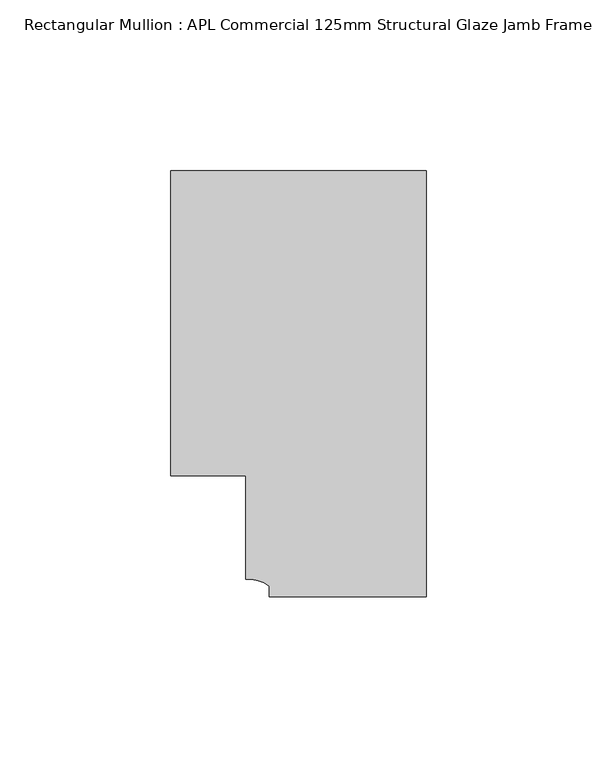
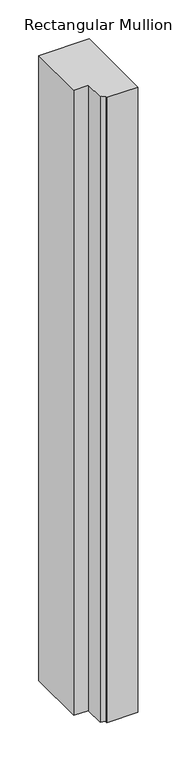
"""IFC4 building model written with IfcOpenShell, lengths in millimetres: member geometry, Rectangular Mullion : APL Commercial 125mm Structural Glaze Jamb Frame (left)."""

import ifcopenshell
import ifcopenshell.guid

model = None  # the IFC model being written
_history = None  # IfcOwnerHistory: only IFC2X3 demands one
_inside = {}  # id of a spatial element -> (the spatial element, [elements in it])
_under = {}  # id of a project, library or spatial element -> (it, [spatial elements below it])
_declared = {}  # id of a project -> (the project, [libraries it declares])
_typed = {}  # id of a type object -> (the type object, [elements of that type])
_made_of = {}  # id of a material, layer set ... -> (it, [elements and type objects made of it])


def new_model(schema):
    """Start an empty IFC model of exactly this schema.

    Asked for "IFC4X3", IfcOpenShell would pick the latest addendum, in which some entities
    have other attributes; the version numbers below select the first issue.
    IFC2X3 requires an IfcOwnerHistory on every rooted entity: one is made here for all.
    """
    global model, _history
    if schema == "IFC4X3":
        model = ifcopenshell.file(schema_version=(4, 3, 0, 0))
    else:
        model = ifcopenshell.file(schema=schema)
    _inside.clear()
    _under.clear()
    _declared.clear()
    _typed.clear()
    _made_of.clear()
    _history = None
    if model.schema == "IFC2X3":
        org = make("IfcOrganization", Name="unknown")
        user = make(
            "IfcPersonAndOrganization",
            ThePerson=make("IfcPerson", FamilyName="unknown"),
            TheOrganization=org,
        )
        app = make(
            "IfcApplication",
            ApplicationDeveloper=org,
            Version="unknown",
            ApplicationFullName="unknown",
            ApplicationIdentifier="unknown",
        )
        _history = make(
            "IfcOwnerHistory",
            OwningUser=user,
            OwningApplication=app,
            ChangeAction="ADDED",
            CreationDate=0,
        )
    return model


def make(cls, **values):
    """One entity of the class cls with the attributes given. An attribute that is None is left unset."""
    return model.create_entity(
        cls, **{name: value for name, value in values.items() if value is not None}
    )


def rooted(cls, **values):
    """An entity with a GlobalId (a new one), such as an element, a storey or a relation."""
    return make(cls, GlobalId=ifcopenshell.guid.new(), OwnerHistory=_history, **values)


def si_unit(unit_type, name, prefix=None):
    """IfcSIUnit, for example si_unit("LENGTHUNIT", "METRE", prefix="MILLI")."""
    return make("IfcSIUnit", UnitType=unit_type, Prefix=prefix, Name=name)


def assignment(units):
    """IfcUnitAssignment: the units of a project."""
    return None if units is None else make("IfcUnitAssignment", Units=units)


def point(xyz):
    """IfcCartesianPoint."""
    return None if xyz is None else make("IfcCartesianPoint", Coordinates=xyz)


def direction(xyz):
    """IfcDirection."""
    return None if xyz is None else make("IfcDirection", DirectionRatios=xyz)


def frame(location, z_axis=None, x_axis=None):
    """IfcAxis2Placement3D, a coordinate frame: its origin and axes. An axis left out is left unset."""
    return make(
        "IfcAxis2Placement3D",
        Location=point(location),
        Axis=direction(z_axis),
        RefDirection=direction(x_axis),
    )


def frame_2d(location, x_axis=None):
    """IfcAxis2Placement2D, a coordinate frame in the plane: its origin and x axis."""
    return make(
        "IfcAxis2Placement2D", Location=point(location), RefDirection=direction(x_axis)
    )


def origin():
    """The frame at (0, 0, 0) with its axes left unset."""
    return frame((0.0, 0.0, 0.0))


def place(relative_to, where):
    """IfcLocalPlacement: puts the frame where relative to a parent placement (None: the world)."""
    return make(
        "IfcLocalPlacement", PlacementRelTo=relative_to, RelativePlacement=where
    )


def context(
    kind, dimensions, precision=None, world=None, true_north=None, identifier=None
):
    """IfcGeometricRepresentationContext, for example the 3D "Model" context."""
    return make(
        "IfcGeometricRepresentationContext",
        ContextIdentifier=identifier,
        ContextType=kind,
        CoordinateSpaceDimension=dimensions,
        Precision=precision,
        WorldCoordinateSystem=world,
        TrueNorth=true_north,
    )


def project(units=None, contexts=None):
    """IfcProject with its units and contexts."""
    return rooted(
        "IfcProject",
        Name="project",
        RepresentationContexts=contexts,
        UnitsInContext=assignment(units),
    )


def spatial(cls, under=None, at=None, **own):
    """A site, building, storey or space (cls), placed at a placement, below another one or the project."""
    s = rooted(cls, ObjectPlacement=at, **own)
    if under is not None:
        _under.setdefault(under.id(), (under, []))[1].append(s)
    return s


def polyline(points):
    """IfcPolyline through the points."""
    return make("IfcPolyline", Points=[point(p) for p in points])


def circle_curve(where, radius):
    """IfcCircle in the frame where."""
    return make("IfcCircle", Position=where, Radius=radius)


def trimmed(basis, trim1, trim2, sense, master):
    """IfcTrimmedCurve: the piece of a basis curve between two trims."""
    return make(
        "IfcTrimmedCurve",
        BasisCurve=basis,
        Trim1=trim1,
        Trim2=trim2,
        SenseAgreement=sense,
        MasterRepresentation=master,
    )


def segment(curve, same_sense, transition):
    """IfcCompositeCurveSegment."""
    return make(
        "IfcCompositeCurveSegment",
        Transition=transition,
        SameSense=same_sense,
        ParentCurve=curve,
    )


def composite_curve(segments, self_intersect=None):
    """IfcCompositeCurve: segments joined end to end."""
    return make("IfcCompositeCurve", Segments=segments, SelfIntersect=self_intersect)


def outline(outer, holes=None, kind="AREA"):
    """IfcArbitraryClosedProfileDef: a profile drawn as a closed curve; with holes, ...WithVoids."""
    if holes is None:
        return make("IfcArbitraryClosedProfileDef", ProfileType=kind, OuterCurve=outer)
    return make(
        "IfcArbitraryProfileDefWithVoids",
        ProfileType=kind,
        OuterCurve=outer,
        InnerCurves=holes,
    )


def extrude(swept, where, along, depth):
    """IfcExtrudedAreaSolid: the profile swept, set in the frame where, extruded along a direction by depth."""
    return make(
        "IfcExtrudedAreaSolid",
        SweptArea=swept,
        Position=where,
        ExtrudedDirection=direction(along),
        Depth=depth,
    )


def shape(context_of_items, identifier, shape_type, items):
    """IfcShapeRepresentation: the items that make up one representation, for example the "Body"."""
    return make(
        "IfcShapeRepresentation",
        ContextOfItems=context_of_items,
        RepresentationIdentifier=identifier,
        RepresentationType=shape_type,
        Items=items,
    )


def source(mapping_origin, context_of_items, identifier, shape_type, items):
    """IfcRepresentationMap: a shape defined once, which mapped items show again and again."""
    return make(
        "IfcRepresentationMap",
        MappingOrigin=mapping_origin,
        MappedRepresentation=shape(context_of_items, identifier, shape_type, items),
    )


def transform(
    local_origin,
    x_axis=None,
    y_axis=None,
    z_axis=None,
    scale=None,
    scale2=None,
    scale3=None,
    uniform=True,
):
    """IfcCartesianTransformationOperator3D, or its non-uniform kind. x_axis, y_axis, z_axis: its Axis1, 2, 3."""
    if uniform:
        return make(
            "IfcCartesianTransformationOperator3D",
            Axis1=direction(x_axis),
            Axis2=direction(y_axis),
            LocalOrigin=point(local_origin),
            Scale=scale,
            Axis3=direction(z_axis),
        )
    return make(
        "IfcCartesianTransformationOperator3DnonUniform",
        Axis1=direction(x_axis),
        Axis2=direction(y_axis),
        LocalOrigin=point(local_origin),
        Scale=scale,
        Axis3=direction(z_axis),
        Scale2=scale2,
        Scale3=scale3,
    )


def mapped(mapping_source, mapping_target):
    """IfcMappedItem: shows the shape of a source again, moved by a transform."""
    return make(
        "IfcMappedItem", MappingSource=mapping_source, MappingTarget=mapping_target
    )


def made_of(thing, what):
    """Note that an element or type object is made of a material, layer set ...; save() writes the relation."""
    if what is not None:
        _made_of.setdefault(what.id(), (what, []))[1].append(thing)
    return thing


def element(
    cls,
    number,
    at=None,
    inside=None,
    cuts=None,
    type_object=None,
    material=None,
    context=None,
    identifier="Body",
    shape_type=None,
    held_by="IfcProductDefinitionShape",
    body=None,
    shapes=None,
    **own,
):
    """One element of the class cls, such as IfcWall. Its Tag is "e" and its number.

    at: its placement. inside: the storey or other place that contains it. cuts: it is an
    opening in that element (IfcRelVoidsElement). A single representation is given by context,
    identifier, shape_type and body (its items); several are given by shapes. held_by: the class
    of the entity that holds the representations. save() writes the other relations.
    """
    e = rooted(cls, Tag="e%d" % number, ObjectPlacement=at, **own)
    if body is not None:
        shapes = [shape(context, identifier, shape_type, body)]
    if shapes is not None:
        e.Representation = make(held_by, Representations=shapes)
    if inside is not None:
        _inside.setdefault(inside.id(), (inside, []))[1].append(e)
    if cuts is not None:
        rooted(
            "IfcRelVoidsElement", RelatingBuildingElement=cuts, RelatedOpeningElement=e
        )
    if type_object is not None:
        _typed.setdefault(type_object.id(), (type_object, []))[1].append(e)
    return made_of(e, material)


def aggregate(whole, parts):
    """IfcRelAggregates: a whole, such as a stair, and the parts it consists of."""
    return rooted("IfcRelAggregates", RelatingObject=whole, RelatedObjects=parts)


def save(model, path):
    """Write the relations noted so far, then the file.

    IfcRelAggregates (storeys below a building ...), IfcRelContainedInSpatialStructure (elements
    in a storey), IfcRelDefinesByType, IfcRelAssociatesMaterial and IfcRelDeclares: one each for
    every whole, place, type object, material and project.
    """
    for whole, parts in _under.values():
        aggregate(whole, parts)
    for where, things in _inside.values():
        rooted(
            "IfcRelContainedInSpatialStructure",
            RelatedElements=things,
            RelatingStructure=where,
        )
    for kind, things in _typed.values():
        rooted("IfcRelDefinesByType", RelatedObjects=things, RelatingType=kind)
    for what, things in _made_of.values():
        rooted("IfcRelAssociatesMaterial", RelatedObjects=things, RelatingMaterial=what)
    for by, libraries in _declared.values():
        rooted("IfcRelDeclares", RelatingContext=by, RelatedDefinitions=libraries)
    model.write(path)


def rectangular_mullion_apl_commercial_125mm_structural_glaze_c1df1539(model_context):
    return source(origin(), model_context, "Body", "SweptSolid", [
        extrude(outline(composite_curve([segment(polyline([(0.0, -20.5), (-45.9999842, -20.5), (-45.9999842, -17.3125325)]), True, "CONTINUOUS"), segment(trimmed(circle_curve(frame_2d((-52.1098019, -25.7981812)), 10.4563907), [point((-45.9999842, -17.3125325))], [point((-52.9999391, -15.3797475))], True, "CARTESIAN"), True, "CONTINUOUS"), segment(polyline([(-52.9999391, -15.3797475), (-52.9999391, 15.0000829), (-75.0, 15.0000829), (-75.0, 104.5), (0.0, 104.5), (0.0, -20.5)]), True, "CONTINUOUS")], self_intersect=False)), frame((0.0, 0.0, -983.6089547), z_axis=(0.0, 0.0, 1.0), x_axis=(1.0, 0.0, 0.0)), (0.0, 0.0, 1.0), 983.6089547),
    ])


if __name__ == "__main__":
    model = new_model("IFC4")
    model_context = context("Model", 3, world=origin())
    ifc_project = project(units=[si_unit("LENGTHUNIT", "METRE", prefix="MILLI")], contexts=[model_context])
    site = spatial("IfcSite", under=ifc_project)
    building = spatial("IfcBuilding", under=site)
    placement = place(None, origin())
    rectangular_mullion_apl_commercial_125mm_structural_glaze_shape = rectangular_mullion_apl_commercial_125mm_structural_glaze_c1df1539(model_context)
    element("IfcMember", 1, ObjectType="Rectangular Mullion : APL Commercial 125mm Structural Glaze Jamb Frame (left)", at=placement, inside=building, context=model_context, shape_type="MappedRepresentation", body=[
        mapped(rectangular_mullion_apl_commercial_125mm_structural_glaze_shape, transform((0.0, 0.0, 0.0), x_axis=(1.0, 0.0, 0.0), y_axis=(0.0, 1.0, 0.0), z_axis=(0.0, 0.0, 1.0))),
    ])
    save(model, "model.ifc")
